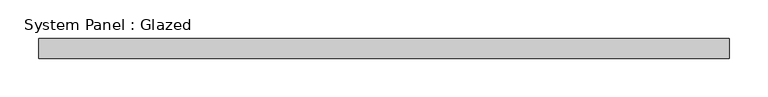
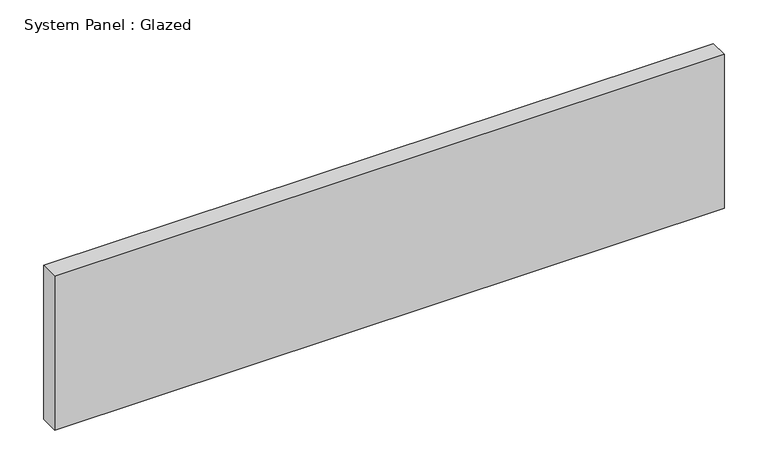
"""IFC4 building model written with IfcOpenShell, lengths in millimetres: plate geometry, System Panel : Glazed."""

from ifc_helpers import new_model, si_unit, origin, origin_with_axes, place, context, project, spatial, polyline, outline, extrude, source, transform, mapped, element, save


def system_panel_glazed_db9fae21(model_context):
    return source(origin(), model_context, "Body", "SweptSolid", [
        extrude(outline(polyline([(444.5, 19.05), (-444.5, 19.05), (-444.5, 44.45), (444.5, 44.45), (444.5, 19.05)])), origin_with_axes(), (0.0, 0.0, 1.0), 215.9),
    ])


if __name__ == "__main__":
    model = new_model("IFC4")
    model_context = context("Model", 3, world=origin())
    ifc_project = project(units=[si_unit("LENGTHUNIT", "METRE", prefix="MILLI")], contexts=[model_context])
    site = spatial("IfcSite", under=ifc_project)
    building = spatial("IfcBuilding", under=site)
    placement = place(None, origin())
    system_panel_glazed_shape = system_panel_glazed_db9fae21(model_context)
    element("IfcPlate", 1, ObjectType="System Panel : Glazed", at=placement, inside=building, context=model_context, shape_type="MappedRepresentation", body=[
        mapped(system_panel_glazed_shape, transform((0.0, 0.0, 0.0), x_axis=(1.0, 0.0, 0.0), y_axis=(0.0, 1.0, 0.0), z_axis=(0.0, 0.0, 1.0))),
    ])
    save(model, "model.ifc")
